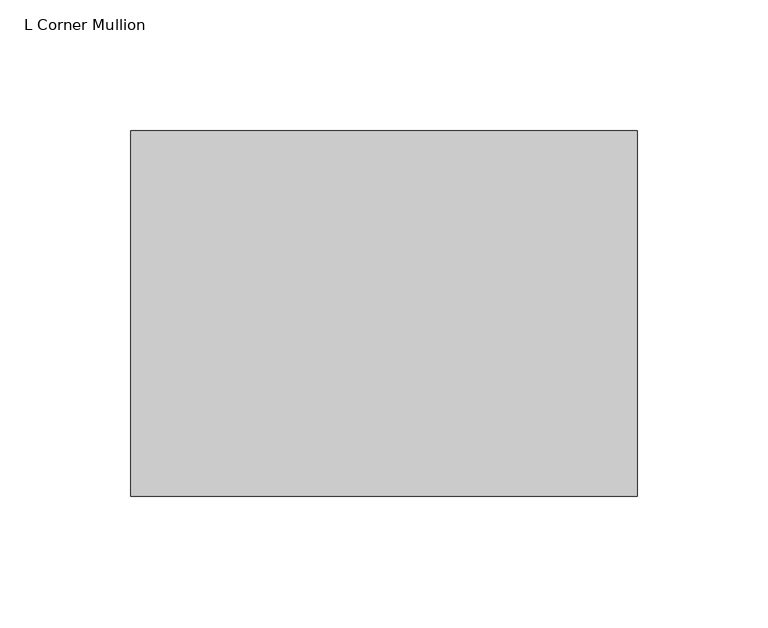
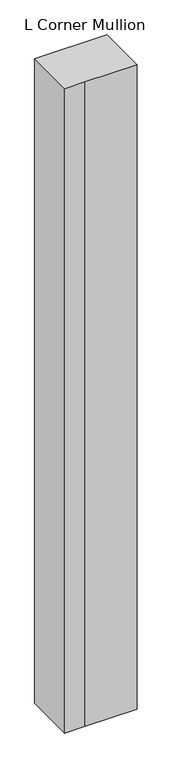
"""IFC4 building model written with IfcOpenShell, lengths in millimetres: member geometry, L Corner Mullion."""

from ifc_helpers import new_model, si_unit, frame, origin, place, context, project, spatial, polyline, outline, extrude, source, transform, mapped, element, save


def l_corner_mullion_975ea83d(model_context):
    return source(origin(), model_context, "Body", "SweptSolid", [
        extrude(outline(polyline([(-111.125, -111.125), (-165.1, -111.125), (-165.1, 28.575), (28.575, 28.575), (28.575, -111.125), (-111.125, -111.125)])), frame((0.0, 0.0, -1828.8), z_axis=(0.0, 0.0, 1.0), x_axis=(1.0, 0.0, 0.0)), (0.0, 0.0, 1.0), 1828.8),
    ])


if __name__ == "__main__":
    model = new_model("IFC4")
    model_context = context("Model", 3, world=origin())
    ifc_project = project(units=[si_unit("LENGTHUNIT", "METRE", prefix="MILLI")], contexts=[model_context])
    site = spatial("IfcSite", under=ifc_project)
    building = spatial("IfcBuilding", under=site)
    placement = place(None, origin())
    l_corner_mullion_shape = l_corner_mullion_975ea83d(model_context)
    element("IfcMember", 1, ObjectType="L Corner Mullion", at=placement, inside=building, context=model_context, shape_type="MappedRepresentation", body=[
        mapped(l_corner_mullion_shape, transform((0.0, 0.0, 0.0), x_axis=(1.0, 0.0, 0.0), y_axis=(0.0, 1.0, 0.0), z_axis=(0.0, 0.0, 1.0))),
    ])
    save(model, "model.ifc")
